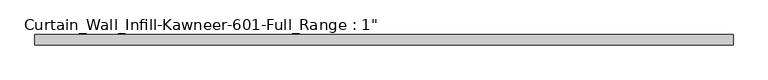
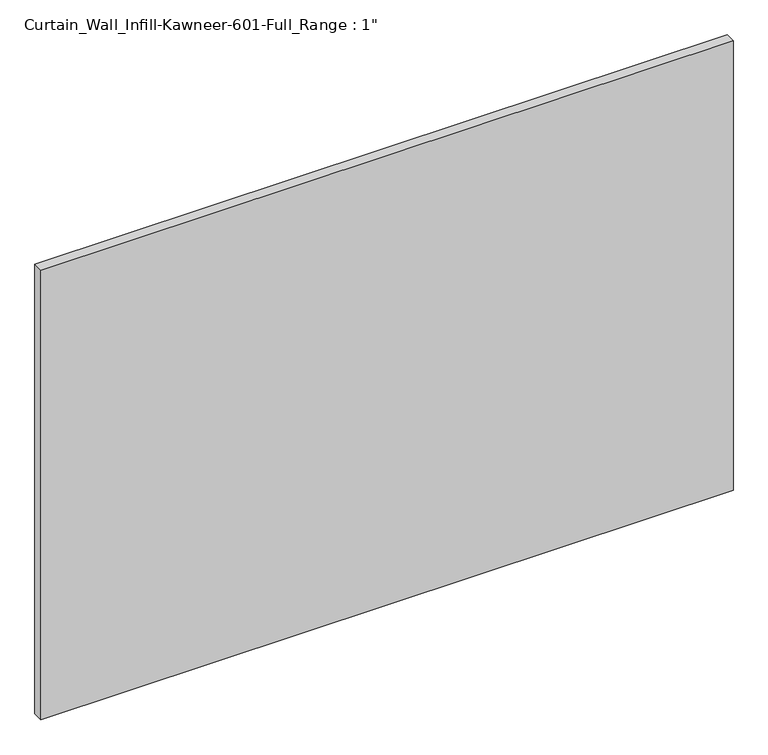
"""IFC4 building model written with IfcOpenShell, lengths in millimetres: plate geometry."""

from ifc_helpers import new_model, si_unit, origin, origin_with_axes, place, context, project, spatial, polyline, outline, extrude, source, transform, mapped, element, save


def plate_3abd5f12(model_context):
    return source(origin(), model_context, "Body", "SweptSolid", [
        extrude(outline(polyline([(-864.6583333, 12.7), (864.6583333, 12.7), (864.6583333, -12.7), (-864.6583333, -12.7), (-864.6583333, 12.7)])), origin_with_axes(), (0.0, 0.0, 1.0), 1187.45),
    ])


if __name__ == "__main__":
    model = new_model("IFC4")
    model_context = context("Model", 3, world=origin())
    ifc_project = project(units=[si_unit("LENGTHUNIT", "METRE", prefix="MILLI")], contexts=[model_context])
    site = spatial("IfcSite", under=ifc_project)
    building = spatial("IfcBuilding", under=site)
    placement = place(None, origin())
    plate_shape = plate_3abd5f12(model_context)
    element("IfcPlate", 1, ObjectType="Curtain_Wall_Infill-Kawneer-601-Full_Range : 1\"", at=placement, inside=building, context=model_context, shape_type="MappedRepresentation", body=[
        mapped(plate_shape, transform((0.0, 0.0, 0.0), x_axis=(1.0, 0.0, 0.0), y_axis=(0.0, 1.0, 0.0), z_axis=(0.0, 0.0, 1.0))),
    ])
    save(model, "model.ifc")
